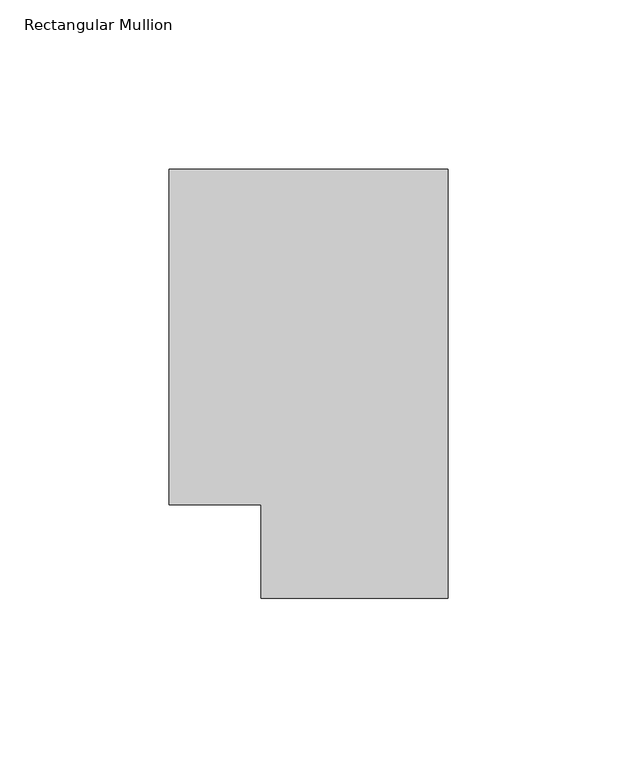
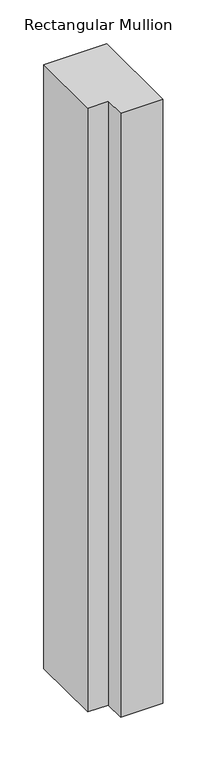
"""IFC4 building model written with IfcOpenShell, lengths in millimetres: member geometry, Rectangular Mullion."""

from ifc_helpers import new_model, si_unit, frame, origin, place, context, project, spatial, polyline, outline, extrude, source, transform, mapped, element, save


def rectangular_mullion_a2d3aa2c(model_context):
    return source(origin(), model_context, "Body", "SweptSolid", [
        extrude(outline(polyline([(0.0, 138.7038437), (0.0, 11.7059608), (-55.3125404, 11.7059608), (-55.3125404, 39.3898437), (-82.55, 39.3898437), (-82.55, 138.7038437), (0.0, 138.7038437)])), frame((0.0, 0.0, -838.2), z_axis=(0.0, 0.0, 1.0), x_axis=(1.0, 0.0, 0.0)), (0.0, 0.0, 1.0), 838.2),
    ])


if __name__ == "__main__":
    model = new_model("IFC4")
    model_context = context("Model", 3, world=origin())
    ifc_project = project(units=[si_unit("LENGTHUNIT", "METRE", prefix="MILLI")], contexts=[model_context])
    site = spatial("IfcSite", under=ifc_project)
    building = spatial("IfcBuilding", under=site)
    placement = place(None, origin())
    rectangular_mullion_shape = rectangular_mullion_a2d3aa2c(model_context)
    element("IfcMember", 1, ObjectType="Rectangular Mullion", at=placement, inside=building, context=model_context, shape_type="MappedRepresentation", body=[
        mapped(rectangular_mullion_shape, transform((0.0, 0.0, 0.0), x_axis=(1.0, 0.0, 0.0), y_axis=(0.0, 1.0, 0.0), z_axis=(0.0, 0.0, 1.0))),
    ])
    save(model, "model.ifc")
